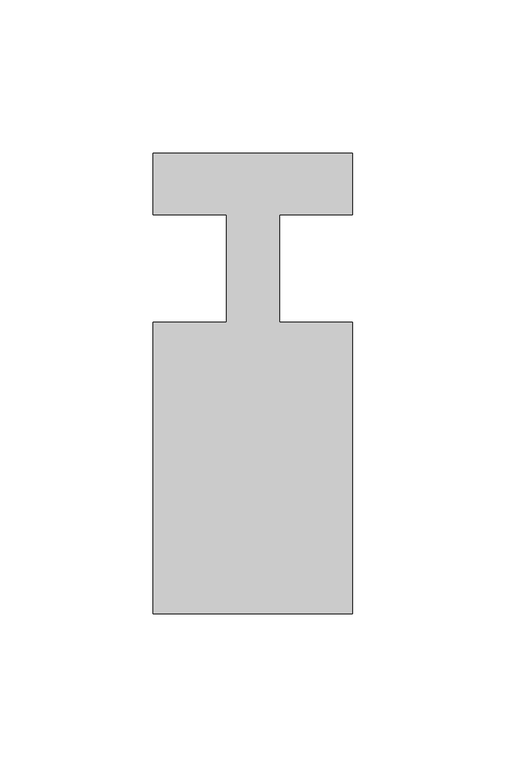
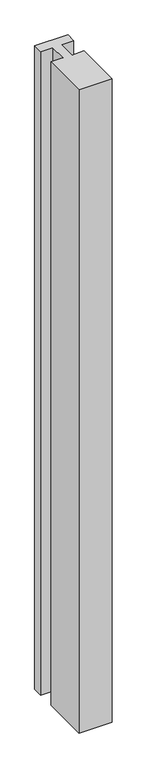
"""IFC4 building model written with IfcOpenShell, lengths in millimetres: member geometry."""

from ifc_helpers import new_model, si_unit, frame, origin, place, context, project, spatial, polyline, outline, extrude, source, transform, mapped, element, save


def member_b514cbe9(model_context):
    return source(origin(), model_context, "Body", "SweptSolid", [
        extrude(outline(polyline([(-32.5, 37.0), (32.5, 37.0), (32.5, 17.0), (8.6875, 17.0), (8.6875, -18.0), (32.5, -18.0), (32.5, -113.0), (-32.5, -113.0), (-32.5, -18.0), (-8.6875, -18.0), (-8.6875, 17.0), (-32.5, 17.0), (-32.5, 37.0)])), frame((0.0, 0.0, -1335.0), z_axis=(0.0, 0.0, 1.0), x_axis=(1.0, 0.0, 0.0)), (0.0, 0.0, 1.0), 1335.0),
    ])


if __name__ == "__main__":
    model = new_model("IFC4")
    model_context = context("Model", 3, world=origin())
    ifc_project = project(units=[si_unit("LENGTHUNIT", "METRE", prefix="MILLI")], contexts=[model_context])
    site = spatial("IfcSite", under=ifc_project)
    building = spatial("IfcBuilding", under=site)
    placement = place(None, origin())
    member_shape = member_b514cbe9(model_context)
    element("IfcMember", 1, at=placement, inside=building, context=model_context, shape_type="MappedRepresentation", body=[
        mapped(member_shape, transform((0.0, 0.0, 0.0), x_axis=(1.0, 0.0, 0.0), y_axis=(0.0, 1.0, 0.0), z_axis=(0.0, 0.0, 1.0))),
    ])
    save(model, "model.ifc")
